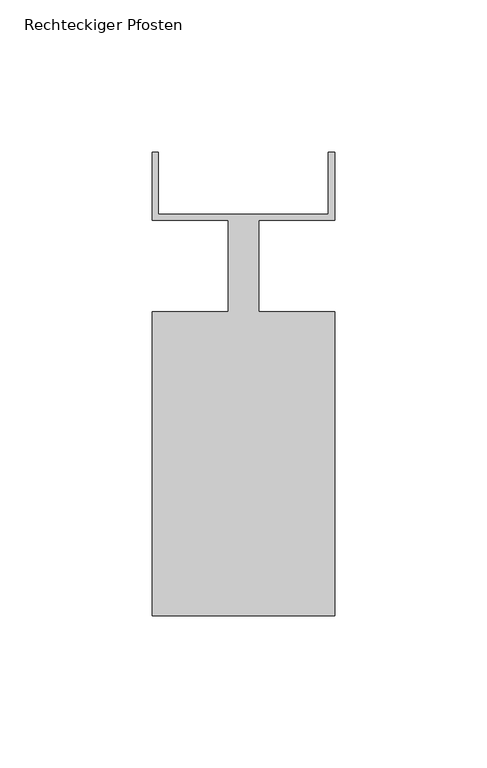
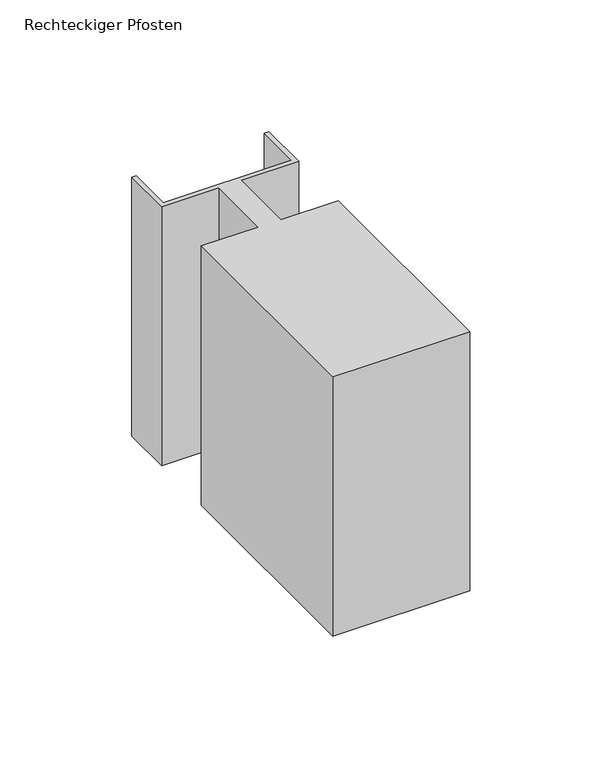
"""IFC4 building model written with IfcOpenShell, lengths in millimetres: member geometry, Rechteckiger Pfosten."""

from ifc_helpers import new_model, si_unit, frame, origin, place, context, project, spatial, polyline, outline, extrude, source, transform, mapped, element, save


def rechteckiger_pfosten_a4982239(model_context):
    return source(origin(), model_context, "Body", "SweptSolid", [
        extrude(outline(polyline([(-2.0, 37.5), (0.0, 37.5), (0.0, 15.0), (-25.0, 15.0), (-25.0, -15.0), (0.0, -15.0), (0.0, -115.0), (-60.0, -115.0), (-60.0, -15.0), (-35.0, -15.0), (-35.0, 15.0), (-60.0, 15.0), (-60.0, 37.5), (-58.0, 37.5), (-58.0, 17.0), (-2.0, 17.0), (-2.0, 37.5)])), frame((0.0, 0.0, -120.0), z_axis=(0.0, 0.0, 1.0), x_axis=(1.0, 0.0, 0.0)), (0.0, 0.0, 1.0), 120.0),
    ])


if __name__ == "__main__":
    model = new_model("IFC4")
    model_context = context("Model", 3, world=origin())
    ifc_project = project(units=[si_unit("LENGTHUNIT", "METRE", prefix="MILLI")], contexts=[model_context])
    site = spatial("IfcSite", under=ifc_project)
    building = spatial("IfcBuilding", under=site)
    placement = place(None, origin())
    rechteckiger_pfosten_shape = rechteckiger_pfosten_a4982239(model_context)
    element("IfcMember", 1, ObjectType="Rechteckiger Pfosten", at=placement, inside=building, context=model_context, shape_type="MappedRepresentation", body=[
        mapped(rechteckiger_pfosten_shape, transform((0.0, 0.0, 0.0), x_axis=(1.0, 0.0, 0.0), y_axis=(0.0, 1.0, 0.0), z_axis=(0.0, 0.0, 1.0))),
    ])
    save(model, "model.ifc")
